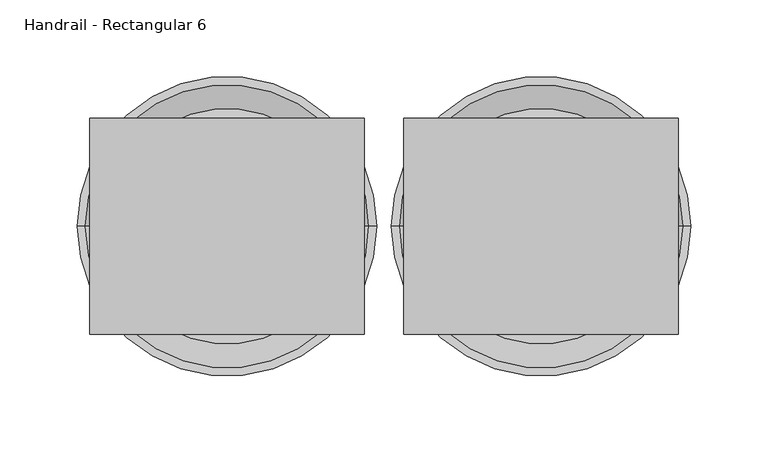
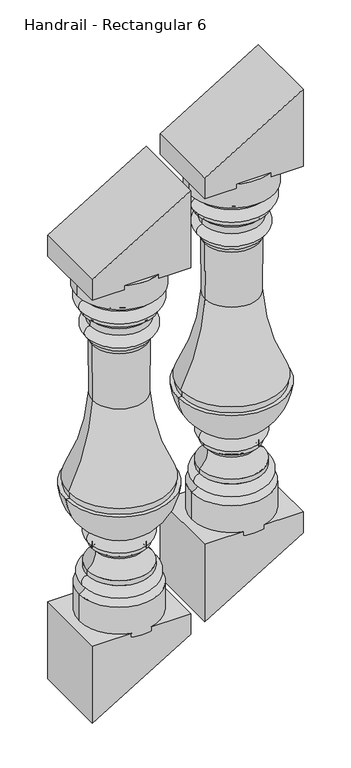
"""IFC4 building model written with IfcOpenShell, lengths in millimetres: railing geometry, Handrail - Rectangular 6."""

from ifc_helpers import new_model, si_unit, point, frame, origin, place, context, project, spatial, polyline, circle_curve, ellipse_curve, trimmed, outline, extrude, source, transform, mapped, element, save
from ifc_brep_helpers import plane_surface, cylinder_surface, revolved_surface, advanced_brep


def handrail_rectangular_6_2395284c(model_context):
    return source(origin(), model_context, "Body", "SolidModel", [
        advanced_brep(
        [(16245.7027138, 4021.0919589, 1350.4795479), (16398.1027138, 4021.0919589, 1350.4795479), (16321.9027138, 4021.0919589, 1350.4795479), (16245.7027138, 4021.0919589, 1304.7584836), (16398.1027138, 4021.0919589, 1304.7584836), (16257.8317502, 4021.0919589, 1293.5422388), (16385.9736774, 4021.0919589, 1293.5422388), (16258.0769912, 4021.0919589, 1270.5042832), (16385.7284364, 4021.0919589, 1270.5042832), (16258.0769912, 4021.0919589, 1262.416486), (16385.7284364, 4021.0919589, 1262.416486), (16266.9055103, 4021.0919589, 1253.8385248), (16376.8999173, 4021.0919589, 1253.8385248), (16269.2417878, 4021.0919589, 1239.5335999), (16374.5636397, 4021.0919589, 1239.5335999), (16269.2417878, 4021.0919589, 1217.4759854), (16374.5636397, 4021.0919589, 1217.4759854), (16269.2417878, 4021.0919589, 1209.1920479), (16374.5636397, 4021.0919589, 1209.1920479), (16273.114095, 4021.0919589, 1201.4718867), (16370.6913325, 4021.0919589, 1201.4718867), (16273.9235709, 4021.0919589, 1095.293104), (16369.8818566, 4021.0919589, 1095.293104), (16230.3642735, 4021.0919589, 935.3482979), (16413.441154, 4021.0919589, 935.3482979), (16232.466154, 4021.0919589, 935.3482979), (16411.3392735, 4021.0919589, 935.3482979), (16232.466154, 4021.0919589, 922.6482979), (16411.3392735, 4021.0919589, 922.6482979), (16225.0652138, 4021.0919589, 922.6482979), (16418.7402138, 4021.0919589, 922.6482979), (16270.9912706, 4021.0919589, 845.2818934), (16372.8141569, 4021.0919589, 845.2818934), (16271.1326309, 4021.0919589, 821.9183164), (16372.6727966, 4021.0919589, 821.9183164), (16271.1326309, 4021.0919589, 814.4386839), (16372.6727966, 4021.0919589, 814.4386839), (16279.084671, 4021.0919589, 805.556619), (16364.7207565, 4021.0919589, 805.556619), (16264.1161377, 4021.0919589, 773.768176), (16379.6892899, 4021.0919589, 773.768176), (16264.1161377, 4021.0919589, 764.4186401), (16379.6892899, 4021.0919589, 764.4186401), (16261.7772921, 4021.0919589, 742.9146942), (16382.0281354, 4021.0919589, 742.9146942), (16249.6924308, 4021.0919589, 733.1212384), (16394.1129967, 4021.0919589, 733.1212384), (16249.6924308, 4021.0919589, 674.2045479), (16394.1129967, 4021.0919589, 674.2045479), (16321.9027138, 4021.0919589, 674.2045479)],
        [
            (0, 1, circle_curve(frame((16321.9027138, 4021.0919589, 1350.4795479), z_axis=(0.0, 0.0, 1.0), x_axis=(1.0, 0.0, 0.0)), 76.2)),
            (1, 2),
            (2, 0),
            (1, 0, circle_curve(frame((16321.9027138, 4021.0919589, 1350.4795479), z_axis=(0.0, 0.0, 1.0), x_axis=(1.0, 0.0, 0.0)), 76.2)),
            (3, 4, circle_curve(frame((16321.9027138, 4021.0919589, 1304.7584836), z_axis=(0.0, 0.0, 1.0), x_axis=(1.0, 0.0, 0.0)), 76.2)),
            (4, 1),
            (0, 3),
            (4, 3, circle_curve(frame((16321.9027138, 4021.0919589, 1304.7584836), z_axis=(0.0, 0.0, 1.0), x_axis=(1.0, 0.0, 0.0)), 76.2)),
            (5, 6, circle_curve(frame((16321.9027138, 4021.0919589, 1293.5422388), z_axis=(0.0, 0.0, 1.0), x_axis=(1.0, 0.0, 0.0)), 64.0709636)),
            (6, 4, circle_curve(frame((16398.1162278, 4021.0919589, 1292.5776913), z_axis=(0.0, 1.0, 0.0), x_axis=(-1.0, 0.0, 0.0)), 12.1807998)),
            (3, 5, circle_curve(frame((16245.6891997, 4021.0919589, 1292.5776913), z_axis=(0.0, 1.0, 0.0), x_axis=(1.0, 0.0, 0.0)), 12.1807998)),
            (6, 5, circle_curve(frame((16321.9027138, 4021.0919589, 1293.5422388), z_axis=(0.0, 0.0, 1.0), x_axis=(1.0, 0.0, 0.0)), 64.0709636)),
            (7, 8, circle_curve(frame((16321.9027138, 4021.0919589, 1270.5042832), z_axis=(0.0, 0.0, 1.0), x_axis=(1.0, 0.0, 0.0)), 63.8257226)),
            (8, 6, circle_curve(frame((16383.562344, 4021.0919589, 1282.0476245), z_axis=(0.0, -1.0, 0.0), x_axis=(-1.0, 0.0, 0.0)), 11.7448152)),
            (5, 7, circle_curve(frame((16260.2430835, 4021.0919589, 1282.0476245), z_axis=(0.0, -1.0, 0.0), x_axis=(1.0, 0.0, 0.0)), 11.7448152)),
            (8, 7, circle_curve(frame((16321.9027138, 4021.0919589, 1270.5042832), z_axis=(0.0, 0.0, 1.0), x_axis=(1.0, 0.0, 0.0)), 63.8257226)),
            (9, 10, circle_curve(frame((16321.9027138, 4021.0919589, 1262.416486), z_axis=(0.0, 0.0, 1.0), x_axis=(1.0, 0.0, 0.0)), 63.8257226)),
            (10, 8),
            (7, 9),
            (10, 9, circle_curve(frame((16321.9027138, 4021.0919589, 1262.416486), z_axis=(0.0, 0.0, 1.0), x_axis=(1.0, 0.0, 0.0)), 63.8257226)),
            (11, 12, circle_curve(frame((16321.9027138, 4021.0919589, 1253.8385248), z_axis=(0.0, 0.0, 1.0), x_axis=(1.0, 0.0, 0.0)), 54.9972035)),
            (12, 10, circle_curve(frame((16390.1304457, 4021.0919589, 1249.0537178), z_axis=(0.0, 1.0, 0.0), x_axis=(-1.0, 0.0, 0.0)), 14.06916)),
            (9, 11, circle_curve(frame((16253.6749818, 4021.0919589, 1249.0537178), z_axis=(0.0, 1.0, 0.0), x_axis=(1.0, 0.0, 0.0)), 14.06916)),
            (12, 11, circle_curve(frame((16321.9027138, 4021.0919589, 1253.8385248), z_axis=(0.0, 0.0, 1.0), x_axis=(1.0, 0.0, 0.0)), 54.9972035)),
            (13, 14, circle_curve(frame((16321.9027138, 4021.0919589, 1239.5335999), z_axis=(0.0, 0.0, 1.0), x_axis=(1.0, 0.0, 0.0)), 52.660926)),
            (14, 12, circle_curve(frame((16403.5227722, 4021.0919589, 1242.1472427), z_axis=(0.0, 1.0, 0.0), x_axis=(-1.0, 0.0, 0.0)), 29.0768376)),
            (11, 13, circle_curve(frame((16240.2826553, 4021.0919589, 1242.1472427), z_axis=(0.0, 1.0, 0.0), x_axis=(1.0, 0.0, 0.0)), 29.0768376)),
            (14, 13, circle_curve(frame((16321.9027138, 4021.0919589, 1239.5335999), z_axis=(0.0, 0.0, 1.0), x_axis=(1.0, 0.0, 0.0)), 52.660926)),
            (15, 16, circle_curve(frame((16321.9027138, 4021.0919589, 1217.4759854), z_axis=(0.0, 0.0, 1.0), x_axis=(1.0, 0.0, 0.0)), 52.660926)),
            (16, 14, circle_curve(frame((16374.1094065, 4021.0919589, 1228.5047926), z_axis=(0.0, -1.0, 0.0), x_axis=(-1.0, 0.0, 0.0)), 11.0381573)),
            (13, 15, circle_curve(frame((16269.696021, 4021.0919589, 1228.5047926), z_axis=(0.0, -1.0, 0.0), x_axis=(1.0, 0.0, 0.0)), 11.0381573)),
            (16, 15, circle_curve(frame((16321.9027138, 4021.0919589, 1217.4759854), z_axis=(0.0, 0.0, 1.0), x_axis=(1.0, 0.0, 0.0)), 52.660926)),
            (17, 18, circle_curve(frame((16321.9027138, 4021.0919589, 1209.1920479), z_axis=(0.0, 0.0, 1.0), x_axis=(1.0, 0.0, 0.0)), 52.660926)),
            (18, 16),
            (15, 17),
            (18, 17, circle_curve(frame((16321.9027138, 4021.0919589, 1209.1920479), z_axis=(0.0, 0.0, 1.0), x_axis=(1.0, 0.0, 0.0)), 52.660926)),
            (19, 20, circle_curve(frame((16321.9027138, 4021.0919589, 1201.4718867), z_axis=(0.0, 0.0, 1.0), x_axis=(1.0, 0.0, 0.0)), 48.7886187)),
            (20, 18, circle_curve(frame((16381.9302832, 4021.0919589, 1200.6658356), z_axis=(0.0, 1.0, 0.0), x_axis=(-1.0, 0.0, 0.0)), 11.2678184)),
            (17, 19, circle_curve(frame((16261.8751443, 4021.0919589, 1200.6658356), z_axis=(0.0, 1.0, 0.0), x_axis=(1.0, 0.0, 0.0)), 11.2678184)),
            (20, 19, circle_curve(frame((16321.9027138, 4021.0919589, 1201.4718867), z_axis=(0.0, 0.0, 1.0), x_axis=(1.0, 0.0, 0.0)), 48.7886187)),
            (21, 22, circle_curve(frame((16321.9027138, 4021.0919589, 1095.293104), z_axis=(0.0, 0.0, 1.0), x_axis=(1.0, 0.0, 0.0)), 47.9791428)),
            (22, 20, circle_curve(frame((17199.0224017, 4021.0919589, 1142.0644566), z_axis=(0.0, 1.0, 0.0), x_axis=(-1.0, 0.0, 0.0)), 830.4586702)),
            (19, 21, circle_curve(frame((15444.7830258, 4021.0919589, 1142.0644566), z_axis=(0.0, 1.0, 0.0), x_axis=(1.0, 0.0, 0.0)), 830.4586702)),
            (22, 21, circle_curve(frame((16321.9027138, 4021.0919589, 1095.293104), z_axis=(0.0, 0.0, 1.0), x_axis=(1.0, 0.0, 0.0)), 47.9791428)),
            (23, 24, circle_curve(frame((16321.9027138, 4021.0919589, 935.3482979), z_axis=(0.0, 0.0, 1.0), x_axis=(1.0, 0.0, 0.0)), 91.5384403)),
            (24, 22, circle_curve(frame((16767.7136369, 4021.0919589, 1117.7345713), z_axis=(0.0, 1.0, 0.0), x_axis=(-1.0, 0.0, 0.0)), 398.4642329)),
            (21, 23, circle_curve(frame((15876.0917906, 4021.0919589, 1117.7345713), z_axis=(0.0, 1.0, 0.0), x_axis=(1.0, 0.0, 0.0)), 398.4642329)),
            (24, 23, circle_curve(frame((16321.9027138, 4021.0919589, 935.3482979), z_axis=(0.0, 0.0, 1.0), x_axis=(1.0, 0.0, 0.0)), 91.5384403)),
            (25, 26, circle_curve(frame((16321.9027138, 4021.0919589, 935.3482979), z_axis=(0.0, 0.0, 1.0), x_axis=(1.0, 0.0, 0.0)), 89.4365597)),
            (26, 24),
            (23, 25),
            (26, 25, circle_curve(frame((16321.9027138, 4021.0919589, 935.3482979), z_axis=(0.0, 0.0, 1.0), x_axis=(1.0, 0.0, 0.0)), 89.4365597)),
            (27, 28, circle_curve(frame((16321.9027138, 4021.0919589, 922.6482979), z_axis=(0.0, 0.0, 1.0), x_axis=(1.0, 0.0, 0.0)), 89.4365597)),
            (28, 26),
            (25, 27),
            (28, 27, circle_curve(frame((16321.9027138, 4021.0919589, 922.6482979), z_axis=(0.0, 0.0, 1.0), x_axis=(1.0, 0.0, 0.0)), 89.4365597)),
            (29, 30, circle_curve(frame((16321.9027138, 4021.0919589, 922.6482979), z_axis=(0.0, 0.0, 1.0), x_axis=(1.0, 0.0, 0.0)), 96.8375)),
            (30, 28),
            (27, 29),
            (30, 29, circle_curve(frame((16321.9027138, 4021.0919589, 922.6482979), z_axis=(0.0, 0.0, 1.0), x_axis=(1.0, 0.0, 0.0)), 96.8375)),
            (31, 32, circle_curve(frame((16321.9027138, 4021.0919589, 845.2818934), z_axis=(0.0, 0.0, 1.0), x_axis=(1.0, 0.0, 0.0)), 50.9114432)),
            (32, 30, circle_curve(frame((16314.2610284, 4021.0919589, 932.3545185), z_axis=(0.0, -1.0, 0.0), x_axis=(-1.0, 0.0, 0.0)), 104.9290756)),
            (29, 31, circle_curve(frame((16329.5443992, 4021.0919589, 932.3545185), z_axis=(0.0, -1.0, 0.0), x_axis=(1.0, 0.0, 0.0)), 104.9290756)),
            (32, 31, circle_curve(frame((16321.9027138, 4021.0919589, 845.2818934), z_axis=(0.0, 0.0, 1.0), x_axis=(1.0, 0.0, 0.0)), 50.9114432)),
            (33, 34, circle_curve(frame((16321.9027138, 4021.0919589, 821.9183164), z_axis=(0.0, 0.0, 1.0), x_axis=(1.0, 0.0, 0.0)), 50.7700828)),
            (34, 32, circle_curve(frame((16367.4408029, 4021.0919589, 833.6321885), z_axis=(0.0, -1.0, 0.0), x_axis=(-1.0, 0.0, 0.0)), 12.8292072)),
            (31, 33, circle_curve(frame((16276.3646246, 4021.0919589, 833.6321885), z_axis=(0.0, -1.0, 0.0), x_axis=(1.0, 0.0, 0.0)), 12.8292072)),
            (34, 33, circle_curve(frame((16321.9027138, 4021.0919589, 821.9183164), z_axis=(0.0, 0.0, 1.0), x_axis=(1.0, 0.0, 0.0)), 50.7700828)),
            (35, 36, circle_curve(frame((16321.9027138, 4021.0919589, 814.4386839), z_axis=(0.0, 0.0, 1.0), x_axis=(1.0, 0.0, 0.0)), 50.7700828)),
            (36, 34),
            (33, 35),
            (36, 35, circle_curve(frame((16321.9027138, 4021.0919589, 814.4386839), z_axis=(0.0, 0.0, 1.0), x_axis=(1.0, 0.0, 0.0)), 50.7700828)),
            (37, 38, circle_curve(frame((16321.9027138, 4021.0919589, 805.556619), z_axis=(0.0, 0.0, 1.0), x_axis=(1.0, 0.0, 0.0)), 42.8180427)),
            (38, 36, circle_curve(frame((16374.6181347, 4021.0919589, 804.6963079), z_axis=(0.0, 1.0, 0.0), x_axis=(-1.0, 0.0, 0.0)), 9.9346983)),
            (35, 37, circle_curve(frame((16269.1872929, 4021.0919589, 804.6963079), z_axis=(0.0, 1.0, 0.0), x_axis=(1.0, 0.0, 0.0)), 9.9346983)),
            (38, 37, circle_curve(frame((16321.9027138, 4021.0919589, 805.556619), z_axis=(0.0, 0.0, 1.0), x_axis=(1.0, 0.0, 0.0)), 42.8180427)),
            (39, 40, circle_curve(frame((16321.9027138, 4021.0919589, 773.768176), z_axis=(0.0, 0.0, 1.0), x_axis=(1.0, 0.0, 0.0)), 57.7865761)),
            (40, 38, circle_curve(frame((16399.5330751, 4021.0919589, 802.5306231), z_axis=(0.0, 1.0, 0.0), x_axis=(-1.0, 0.0, 0.0)), 34.9435857)),
            (37, 39, circle_curve(frame((16244.2723524, 4021.0919589, 802.5306231), z_axis=(0.0, 1.0, 0.0), x_axis=(1.0, 0.0, 0.0)), 34.9435857)),
            (40, 39, circle_curve(frame((16321.9027138, 4021.0919589, 773.768176), z_axis=(0.0, 0.0, 1.0), x_axis=(1.0, 0.0, 0.0)), 57.7865761)),
            (41, 42, circle_curve(frame((16321.9027138, 4021.0919589, 764.4186401), z_axis=(0.0, 0.0, 1.0), x_axis=(1.0, 0.0, 0.0)), 57.7865761)),
            (42, 40),
            (39, 41),
            (42, 41, circle_curve(frame((16321.9027138, 4021.0919589, 764.4186401), z_axis=(0.0, 0.0, 1.0), x_axis=(1.0, 0.0, 0.0)), 57.7865761)),
            (43, 44, circle_curve(frame((16321.9027138, 4021.0919589, 742.9146942), z_axis=(0.0, 0.0, 1.0), x_axis=(1.0, 0.0, 0.0)), 60.1254216)),
            (44, 42, circle_curve(frame((16379.075307, 4021.0919589, 753.4726976), z_axis=(0.0, -1.0, 0.0), x_axis=(-1.0, 0.0, 0.0)), 10.9631488)),
            (41, 43, circle_curve(frame((16264.7301206, 4021.0919589, 753.4726976), z_axis=(0.0, -1.0, 0.0), x_axis=(1.0, 0.0, 0.0)), 10.9631488)),
            (44, 43, circle_curve(frame((16321.9027138, 4021.0919589, 742.9146942), z_axis=(0.0, 0.0, 1.0), x_axis=(1.0, 0.0, 0.0)), 60.1254216)),
            (45, 46, circle_curve(frame((16321.9027138, 4021.0919589, 733.1212384), z_axis=(0.0, 0.0, 1.0), x_axis=(1.0, 0.0, 0.0)), 72.210283)),
            (46, 44, circle_curve(frame((16400.2438996, 4021.0919589, 753.0395329), z_axis=(0.0, 1.0, 0.0), x_axis=(-1.0, 0.0, 0.0)), 20.8404996)),
            (43, 45, circle_curve(frame((16243.5615279, 4021.0919589, 753.0395329), z_axis=(0.0, 1.0, 0.0), x_axis=(1.0, 0.0, 0.0)), 20.8404996)),
            (46, 45, circle_curve(frame((16321.9027138, 4021.0919589, 733.1212384), z_axis=(0.0, 0.0, 1.0), x_axis=(1.0, 0.0, 0.0)), 72.210283)),
            (47, 48, circle_curve(frame((16321.9027138, 4021.0919589, 674.2045479), z_axis=(0.0, 0.0, 1.0), x_axis=(1.0, 0.0, 0.0)), 72.210283)),
            (48, 46),
            (45, 47),
            (48, 47, circle_curve(frame((16321.9027138, 4021.0919589, 674.2045479), z_axis=(0.0, 0.0, 1.0), x_axis=(1.0, 0.0, 0.0)), 72.210283)),
            (49, 48),
            (47, 49),
        ],
        [
            plane_surface(frame((16321.9027138, 4021.0919589, 1350.4795479), z_axis=(0.0, 0.0, 1.0), x_axis=(1.0, 0.0, 0.0))),
            cylinder_surface(frame((16321.9027138, 4021.0919589, 1302.8545479), z_axis=(0.0, 0.0, -1.0), x_axis=(1.0, 0.0, 0.0)), 76.2),
            revolved_surface(trimmed(ellipse_curve(frame((16398.1162278, 4021.0919589, 1292.5776913), z_axis=(0.0, -1.0, 0.0), x_axis=(-1.0, 0.0, 0.0)), 12.1807998, 12.1807998), [point((16398.1027138, 4021.0919589, 1304.7584836))], [point((16385.9736774, 4021.0919589, 1293.5422388))], True, "CARTESIAN"), (16321.9027138, 4021.0919589, 1302.8545479), (0.0, 0.0, -1.0)),
            revolved_surface(trimmed(ellipse_curve(frame((16383.562344, 4021.0919589, 1282.0476245), z_axis=(0.0, 1.0, 0.0), x_axis=(-1.0, 0.0, 0.0)), 11.7448152, 11.7448152), [point((16385.9736774, 4021.0919589, 1293.5422388))], [point((16385.7284364, 4021.0919589, 1270.5042832))], True, "CARTESIAN"), (16321.9027138, 4021.0919589, 1302.8545479), (0.0, 0.0, -1.0)),
            cylinder_surface(frame((16321.9027138, 4021.0919589, 1302.8545479), z_axis=(0.0, 0.0, -1.0), x_axis=(1.0, 0.0, 0.0)), 63.8257226),
            revolved_surface(trimmed(ellipse_curve(frame((16390.1304457, 4021.0919589, 1249.0537178), z_axis=(0.0, -1.0, 0.0), x_axis=(-1.0, 0.0, 0.0)), 14.06916, 14.06916), [point((16385.7284364, 4021.0919589, 1262.416486))], [point((16376.8999173, 4021.0919589, 1253.8385248))], True, "CARTESIAN"), (16321.9027138, 4021.0919589, 1302.8545479), (0.0, 0.0, -1.0)),
            revolved_surface(trimmed(ellipse_curve(frame((16403.5227722, 4021.0919589, 1242.1472427), z_axis=(0.0, -1.0, 0.0), x_axis=(-1.0, 0.0, 0.0)), 29.0768376, 29.0768376), [point((16376.8999173, 4021.0919589, 1253.8385248))], [point((16374.5636397, 4021.0919589, 1239.5335999))], True, "CARTESIAN"), (16321.9027138, 4021.0919589, 1302.8545479), (0.0, 0.0, -1.0)),
            revolved_surface(trimmed(ellipse_curve(frame((16374.1094065, 4021.0919589, 1228.5047926), z_axis=(0.0, 1.0, 0.0), x_axis=(-1.0, 0.0, 0.0)), 11.0381573, 11.0381573), [point((16374.5636397, 4021.0919589, 1239.5335999))], [point((16374.5636397, 4021.0919589, 1217.4759854))], True, "CARTESIAN"), (16321.9027138, 4021.0919589, 1302.8545479), (0.0, 0.0, -1.0)),
            cylinder_surface(frame((16321.9027138, 4021.0919589, 1302.8545479), z_axis=(0.0, 0.0, -1.0), x_axis=(1.0, 0.0, 0.0)), 52.660926),
            revolved_surface(trimmed(ellipse_curve(frame((16381.9302832, 4021.0919589, 1200.6658356), z_axis=(0.0, -1.0, 0.0), x_axis=(-1.0, 0.0, 0.0)), 11.2678184, 11.2678184), [point((16374.5636397, 4021.0919589, 1209.1920479))], [point((16370.6913325, 4021.0919589, 1201.4718867))], True, "CARTESIAN"), (16321.9027138, 4021.0919589, 1302.8545479), (0.0, 0.0, -1.0)),
            revolved_surface(trimmed(ellipse_curve(frame((17199.0224017, 4021.0919589, 1142.0644566), z_axis=(0.0, -1.0, 0.0), x_axis=(-1.0, 0.0, 0.0)), 830.4586702, 830.4586702), [point((16370.6913325, 4021.0919589, 1201.4718867))], [point((16369.8818566, 4021.0919589, 1095.293104))], True, "CARTESIAN"), (16321.9027138, 4021.0919589, 1302.8545479), (0.0, 0.0, -1.0)),
            revolved_surface(trimmed(ellipse_curve(frame((16767.7136369, 4021.0919589, 1117.7345713), z_axis=(0.0, -1.0, 0.0), x_axis=(-1.0, 0.0, 0.0)), 398.4642329, 398.4642329), [point((16369.8818566, 4021.0919589, 1095.293104))], [point((16413.441154, 4021.0919589, 935.3482979))], True, "CARTESIAN"), (16321.9027138, 4021.0919589, 1302.8545479), (0.0, 0.0, -1.0)),
            plane_surface(frame((16321.9027138, 4021.0919589, 935.3482979), z_axis=(0.0, 0.0, -1.0), x_axis=(1.0, 0.0, 0.0))),
            cylinder_surface(frame((16321.9027138, 4021.0919589, 1302.8545479), z_axis=(0.0, 0.0, -1.0), x_axis=(1.0, 0.0, 0.0)), 89.4365597),
            plane_surface(frame((16321.9027138, 4021.0919589, 922.6482979), z_axis=(0.0, 0.0, 1.0), x_axis=(1.0, 0.0, 0.0))),
            revolved_surface(trimmed(ellipse_curve(frame((16314.2610284, 4021.0919589, 932.3545185), z_axis=(0.0, 1.0, 0.0), x_axis=(-1.0, 0.0, 0.0)), 104.9290756, 104.9290756), [point((16418.7402138, 4021.0919589, 922.6482979))], [point((16372.8141569, 4021.0919589, 845.2818934))], True, "CARTESIAN"), (16321.9027138, 4021.0919589, 1302.8545479), (0.0, 0.0, -1.0)),
            revolved_surface(trimmed(ellipse_curve(frame((16367.4408029, 4021.0919589, 833.6321885), z_axis=(0.0, 1.0, 0.0), x_axis=(-1.0, 0.0, 0.0)), 12.8292072, 12.8292072), [point((16372.8141569, 4021.0919589, 845.2818934))], [point((16372.6727966, 4021.0919589, 821.9183164))], True, "CARTESIAN"), (16321.9027138, 4021.0919589, 1302.8545479), (0.0, 0.0, -1.0)),
            cylinder_surface(frame((16321.9027138, 4021.0919589, 1302.8545479), z_axis=(0.0, 0.0, -1.0), x_axis=(1.0, 0.0, 0.0)), 50.7700828),
            revolved_surface(trimmed(ellipse_curve(frame((16374.6181347, 4021.0919589, 804.6963079), z_axis=(0.0, -1.0, 0.0), x_axis=(-1.0, 0.0, 0.0)), 9.9346983, 9.9346983), [point((16372.6727966, 4021.0919589, 814.4386839))], [point((16364.7207565, 4021.0919589, 805.556619))], True, "CARTESIAN"), (16321.9027138, 4021.0919589, 1302.8545479), (0.0, 0.0, -1.0)),
            revolved_surface(trimmed(ellipse_curve(frame((16399.5330751, 4021.0919589, 802.5306231), z_axis=(0.0, -1.0, 0.0), x_axis=(-1.0, 0.0, 0.0)), 34.9435857, 34.9435857), [point((16364.7207565, 4021.0919589, 805.556619))], [point((16379.6892899, 4021.0919589, 773.768176))], True, "CARTESIAN"), (16321.9027138, 4021.0919589, 1302.8545479), (0.0, 0.0, -1.0)),
            cylinder_surface(frame((16321.9027138, 4021.0919589, 1302.8545479), z_axis=(0.0, 0.0, -1.0), x_axis=(1.0, 0.0, 0.0)), 57.7865761),
            revolved_surface(trimmed(ellipse_curve(frame((16379.075307, 4021.0919589, 753.4726976), z_axis=(0.0, 1.0, 0.0), x_axis=(-1.0, 0.0, 0.0)), 10.9631488, 10.9631488), [point((16379.6892899, 4021.0919589, 764.4186401))], [point((16382.0281354, 4021.0919589, 742.9146942))], True, "CARTESIAN"), (16321.9027138, 4021.0919589, 1302.8545479), (0.0, 0.0, -1.0)),
            revolved_surface(trimmed(ellipse_curve(frame((16400.2438996, 4021.0919589, 753.0395329), z_axis=(0.0, -1.0, 0.0), x_axis=(-1.0, 0.0, 0.0)), 20.8404996, 20.8404996), [point((16382.0281354, 4021.0919589, 742.9146942))], [point((16394.1129967, 4021.0919589, 733.1212384))], True, "CARTESIAN"), (16321.9027138, 4021.0919589, 1302.8545479), (0.0, 0.0, -1.0)),
            cylinder_surface(frame((16321.9027138, 4021.0919589, 1302.8545479), z_axis=(0.0, 0.0, -1.0), x_axis=(1.0, 0.0, 0.0)), 72.210283),
            plane_surface(frame((16321.9027138, 4021.0919589, 674.2045479), z_axis=(0.0, 0.0, -1.0), x_axis=(1.0, 0.0, 0.0))),
        ],
        [
            (0, [[1, 2, 3]]),
            (0, [[4, -3, -2]]),
            (1, [[5, 6, -1, 7]]),
            (1, [[8, -7, -4, -6]]),
            (2, [[9, 10, -5, 11]]),
            (2, [[12, -11, -8, -10]]),
            (3, [[13, 14, -9, 15]]),
            (3, [[16, -15, -12, -14]]),
            (4, [[17, 18, -13, 19]]),
            (4, [[20, -19, -16, -18]]),
            (5, [[21, 22, -17, 23]]),
            (5, [[24, -23, -20, -22]]),
            (6, [[25, 26, -21, 27]]),
            (6, [[28, -27, -24, -26]]),
            (7, [[29, 30, -25, 31]]),
            (7, [[32, -31, -28, -30]]),
            (8, [[33, 34, -29, 35]]),
            (8, [[36, -35, -32, -34]]),
            (9, [[37, 38, -33, 39]]),
            (9, [[40, -39, -36, -38]]),
            (10, [[41, 42, -37, 43]]),
            (10, [[44, -43, -40, -42]]),
            (11, [[45, 46, -41, 47]]),
            (11, [[48, -47, -44, -46]]),
            (12, [[49, 50, -45, 51]]),
            (12, [[52, -51, -48, -50]]),
            (13, [[53, 54, -49, 55]]),
            (13, [[56, -55, -52, -54]]),
            (14, [[57, 58, -53, 59]]),
            (14, [[60, -59, -56, -58]]),
            (15, [[61, 62, -57, 63]]),
            (15, [[64, -63, -60, -62]]),
            (16, [[65, 66, -61, 67]]),
            (16, [[68, -67, -64, -66]]),
            (17, [[69, 70, -65, 71]]),
            (17, [[72, -71, -68, -70]]),
            (18, [[73, 74, -69, 75]]),
            (18, [[76, -75, -72, -74]]),
            (19, [[77, 78, -73, 79]]),
            (19, [[80, -79, -76, -78]]),
            (20, [[81, 82, -77, 83]]),
            (20, [[84, -83, -80, -82]]),
            (21, [[85, 86, -81, 87]]),
            (21, [[88, -87, -84, -86]]),
            (22, [[89, 90, -85, 91]]),
            (22, [[92, -91, -88, -90]]),
            (23, [[93, 94, -89, 95]]),
            (23, [[96, -95, -92, -94]]),
            (24, [[97, -93, 98]]),
            (24, [[-98, -96, -97]]),
        ],
    ),
        extrude(outline(polyline([(681.9996212, 16410.8027138), (681.9996212, 16233.0027138), (534.4583333, 16233.0027138), (642.2159091, 16410.8027138), (681.9996212, 16410.8027138)])), frame((0.0, 3951.2419589, 0.0), z_axis=(0.0, 1.0, 0.0), x_axis=(0.0, 0.0, 1.0)), (0.0, 0.0, 1.0), 139.7),
        extrude(outline(polyline([(1342.6844745, 16233.0027138), (1342.6844745, 16410.8027138), (1490.2257624, 16410.8027138), (1382.4681866, 16233.0027138), (1342.6844745, 16233.0027138)])), frame((0.0, 3951.2419589, 0.0), z_axis=(0.0, 1.0, 0.0), x_axis=(0.0, 0.0, 1.0)), (0.0, 0.0, 1.0), 139.7),
        advanced_brep(
        [(16042.5027138, 4021.0919589, 1227.3280327), (16194.9027138, 4021.0919589, 1227.3280327), (16118.7027138, 4021.0919589, 1227.3280327), (16042.5027138, 4021.0919589, 1181.6069685), (16194.9027138, 4021.0919589, 1181.6069685), (16054.6317502, 4021.0919589, 1170.3907236), (16182.7736774, 4021.0919589, 1170.3907236), (16054.8769912, 4021.0919589, 1147.3527681), (16182.5284364, 4021.0919589, 1147.3527681), (16054.8769912, 4021.0919589, 1139.2649709), (16182.5284364, 4021.0919589, 1139.2649709), (16063.7055103, 4021.0919589, 1130.6870097), (16173.6999173, 4021.0919589, 1130.6870097), (16066.0417878, 4021.0919589, 1116.3820847), (16171.3636397, 4021.0919589, 1116.3820847), (16066.0417878, 4021.0919589, 1094.3244702), (16171.3636397, 4021.0919589, 1094.3244702), (16066.0417878, 4021.0919589, 1086.0405327), (16171.3636397, 4021.0919589, 1086.0405327), (16069.914095, 4021.0919589, 1078.3203716), (16167.4913325, 4021.0919589, 1078.3203716), (16070.7235709, 4021.0919589, 972.1415889), (16166.6818566, 4021.0919589, 972.1415889), (16027.1642735, 4021.0919589, 812.1967827), (16210.241154, 4021.0919589, 812.1967827), (16029.266154, 4021.0919589, 812.1967827), (16208.1392735, 4021.0919589, 812.1967827), (16029.266154, 4021.0919589, 799.4967827), (16208.1392735, 4021.0919589, 799.4967827), (16021.8652138, 4021.0919589, 799.4967827), (16215.5402138, 4021.0919589, 799.4967827), (16067.7912706, 4021.0919589, 722.1303782), (16169.6141569, 4021.0919589, 722.1303782), (16067.9326309, 4021.0919589, 698.7668013), (16169.4727966, 4021.0919589, 698.7668013), (16067.9326309, 4021.0919589, 691.2871687), (16169.4727966, 4021.0919589, 691.2871687), (16075.884671, 4021.0919589, 682.4051039), (16161.5207565, 4021.0919589, 682.4051039), (16060.9161377, 4021.0919589, 650.6166608), (16176.4892899, 4021.0919589, 650.6166608), (16060.9161377, 4021.0919589, 641.267125), (16176.4892899, 4021.0919589, 641.267125), (16058.5772921, 4021.0919589, 619.763179), (16178.8281354, 4021.0919589, 619.763179), (16046.4924308, 4021.0919589, 609.9697233), (16190.9129967, 4021.0919589, 609.9697233), (16046.4924308, 4021.0919589, 551.0530327), (16190.9129967, 4021.0919589, 551.0530327), (16118.7027138, 4021.0919589, 551.0530327)],
        [
            (0, 1, circle_curve(frame((16118.7027138, 4021.0919589, 1227.3280327), z_axis=(0.0, 0.0, 1.0), x_axis=(1.0, 0.0, 0.0)), 76.2)),
            (1, 2),
            (2, 0),
            (1, 0, circle_curve(frame((16118.7027138, 4021.0919589, 1227.3280327), z_axis=(0.0, 0.0, 1.0), x_axis=(1.0, 0.0, 0.0)), 76.2)),
            (3, 4, circle_curve(frame((16118.7027138, 4021.0919589, 1181.6069685), z_axis=(0.0, 0.0, 1.0), x_axis=(1.0, 0.0, 0.0)), 76.2)),
            (4, 1),
            (0, 3),
            (4, 3, circle_curve(frame((16118.7027138, 4021.0919589, 1181.6069685), z_axis=(0.0, 0.0, 1.0), x_axis=(1.0, 0.0, 0.0)), 76.2)),
            (5, 6, circle_curve(frame((16118.7027138, 4021.0919589, 1170.3907236), z_axis=(0.0, 0.0, 1.0), x_axis=(1.0, 0.0, 0.0)), 64.0709636)),
            (6, 4, circle_curve(frame((16194.9162278, 4021.0919589, 1169.4261761), z_axis=(0.0, 1.0, 0.0), x_axis=(-1.0, 0.0, 0.0)), 12.1807998)),
            (3, 5, circle_curve(frame((16042.4891997, 4021.0919589, 1169.4261761), z_axis=(0.0, 1.0, 0.0), x_axis=(1.0, 0.0, 0.0)), 12.1807998)),
            (6, 5, circle_curve(frame((16118.7027138, 4021.0919589, 1170.3907236), z_axis=(0.0, 0.0, 1.0), x_axis=(1.0, 0.0, 0.0)), 64.0709636)),
            (7, 8, circle_curve(frame((16118.7027138, 4021.0919589, 1147.3527681), z_axis=(0.0, 0.0, 1.0), x_axis=(1.0, 0.0, 0.0)), 63.8257226)),
            (8, 6, circle_curve(frame((16180.362344, 4021.0919589, 1158.8961094), z_axis=(0.0, -1.0, 0.0), x_axis=(-1.0, 0.0, 0.0)), 11.7448152)),
            (5, 7, circle_curve(frame((16057.0430835, 4021.0919589, 1158.8961094), z_axis=(0.0, -1.0, 0.0), x_axis=(1.0, 0.0, 0.0)), 11.7448152)),
            (8, 7, circle_curve(frame((16118.7027138, 4021.0919589, 1147.3527681), z_axis=(0.0, 0.0, 1.0), x_axis=(1.0, 0.0, 0.0)), 63.8257226)),
            (9, 10, circle_curve(frame((16118.7027138, 4021.0919589, 1139.2649709), z_axis=(0.0, 0.0, 1.0), x_axis=(1.0, 0.0, 0.0)), 63.8257226)),
            (10, 8),
            (7, 9),
            (10, 9, circle_curve(frame((16118.7027138, 4021.0919589, 1139.2649709), z_axis=(0.0, 0.0, 1.0), x_axis=(1.0, 0.0, 0.0)), 63.8257226)),
            (11, 12, circle_curve(frame((16118.7027138, 4021.0919589, 1130.6870097), z_axis=(0.0, 0.0, 1.0), x_axis=(1.0, 0.0, 0.0)), 54.9972035)),
            (12, 10, circle_curve(frame((16186.9304457, 4021.0919589, 1125.9022026), z_axis=(0.0, 1.0, 0.0), x_axis=(-1.0, 0.0, 0.0)), 14.06916)),
            (9, 11, circle_curve(frame((16050.4749818, 4021.0919589, 1125.9022026), z_axis=(0.0, 1.0, 0.0), x_axis=(1.0, 0.0, 0.0)), 14.06916)),
            (12, 11, circle_curve(frame((16118.7027138, 4021.0919589, 1130.6870097), z_axis=(0.0, 0.0, 1.0), x_axis=(1.0, 0.0, 0.0)), 54.9972035)),
            (13, 14, circle_curve(frame((16118.7027138, 4021.0919589, 1116.3820847), z_axis=(0.0, 0.0, 1.0), x_axis=(1.0, 0.0, 0.0)), 52.660926)),
            (14, 12, circle_curve(frame((16200.3227722, 4021.0919589, 1118.9957275), z_axis=(0.0, 1.0, 0.0), x_axis=(-1.0, 0.0, 0.0)), 29.0768376)),
            (11, 13, circle_curve(frame((16037.0826553, 4021.0919589, 1118.9957275), z_axis=(0.0, 1.0, 0.0), x_axis=(1.0, 0.0, 0.0)), 29.0768376)),
            (14, 13, circle_curve(frame((16118.7027138, 4021.0919589, 1116.3820847), z_axis=(0.0, 0.0, 1.0), x_axis=(1.0, 0.0, 0.0)), 52.660926)),
            (15, 16, circle_curve(frame((16118.7027138, 4021.0919589, 1094.3244702), z_axis=(0.0, 0.0, 1.0), x_axis=(1.0, 0.0, 0.0)), 52.660926)),
            (16, 14, circle_curve(frame((16170.9094065, 4021.0919589, 1105.3532775), z_axis=(0.0, -1.0, 0.0), x_axis=(-1.0, 0.0, 0.0)), 11.0381573)),
            (13, 15, circle_curve(frame((16066.496021, 4021.0919589, 1105.3532775), z_axis=(0.0, -1.0, 0.0), x_axis=(1.0, 0.0, 0.0)), 11.0381573)),
            (16, 15, circle_curve(frame((16118.7027138, 4021.0919589, 1094.3244702), z_axis=(0.0, 0.0, 1.0), x_axis=(1.0, 0.0, 0.0)), 52.660926)),
            (17, 18, circle_curve(frame((16118.7027138, 4021.0919589, 1086.0405327), z_axis=(0.0, 0.0, 1.0), x_axis=(1.0, 0.0, 0.0)), 52.660926)),
            (18, 16),
            (15, 17),
            (18, 17, circle_curve(frame((16118.7027138, 4021.0919589, 1086.0405327), z_axis=(0.0, 0.0, 1.0), x_axis=(1.0, 0.0, 0.0)), 52.660926)),
            (19, 20, circle_curve(frame((16118.7027138, 4021.0919589, 1078.3203716), z_axis=(0.0, 0.0, 1.0), x_axis=(1.0, 0.0, 0.0)), 48.7886187)),
            (20, 18, circle_curve(frame((16178.7302832, 4021.0919589, 1077.5143204), z_axis=(0.0, 1.0, 0.0), x_axis=(-1.0, 0.0, 0.0)), 11.2678184)),
            (17, 19, circle_curve(frame((16058.6751443, 4021.0919589, 1077.5143204), z_axis=(0.0, 1.0, 0.0), x_axis=(1.0, 0.0, 0.0)), 11.2678184)),
            (20, 19, circle_curve(frame((16118.7027138, 4021.0919589, 1078.3203716), z_axis=(0.0, 0.0, 1.0), x_axis=(1.0, 0.0, 0.0)), 48.7886187)),
            (21, 22, circle_curve(frame((16118.7027138, 4021.0919589, 972.1415889), z_axis=(0.0, 0.0, 1.0), x_axis=(1.0, 0.0, 0.0)), 47.9791428)),
            (22, 20, circle_curve(frame((16995.8224017, 4021.0919589, 1018.9129414), z_axis=(0.0, 1.0, 0.0), x_axis=(-1.0, 0.0, 0.0)), 830.4586702)),
            (19, 21, circle_curve(frame((15241.5830258, 4021.0919589, 1018.9129414), z_axis=(0.0, 1.0, 0.0), x_axis=(1.0, 0.0, 0.0)), 830.4586702)),
            (22, 21, circle_curve(frame((16118.7027138, 4021.0919589, 972.1415889), z_axis=(0.0, 0.0, 1.0), x_axis=(1.0, 0.0, 0.0)), 47.9791428)),
            (23, 24, circle_curve(frame((16118.7027138, 4021.0919589, 812.1967827), z_axis=(0.0, 0.0, 1.0), x_axis=(1.0, 0.0, 0.0)), 91.5384403)),
            (24, 22, circle_curve(frame((16564.5136369, 4021.0919589, 994.5830562), z_axis=(0.0, 1.0, 0.0), x_axis=(-1.0, 0.0, 0.0)), 398.4642329)),
            (21, 23, circle_curve(frame((15672.8917906, 4021.0919589, 994.5830562), z_axis=(0.0, 1.0, 0.0), x_axis=(1.0, 0.0, 0.0)), 398.4642329)),
            (24, 23, circle_curve(frame((16118.7027138, 4021.0919589, 812.1967827), z_axis=(0.0, 0.0, 1.0), x_axis=(1.0, 0.0, 0.0)), 91.5384403)),
            (25, 26, circle_curve(frame((16118.7027138, 4021.0919589, 812.1967827), z_axis=(0.0, 0.0, 1.0), x_axis=(1.0, 0.0, 0.0)), 89.4365597)),
            (26, 24),
            (23, 25),
            (26, 25, circle_curve(frame((16118.7027138, 4021.0919589, 812.1967827), z_axis=(0.0, 0.0, 1.0), x_axis=(1.0, 0.0, 0.0)), 89.4365597)),
            (27, 28, circle_curve(frame((16118.7027138, 4021.0919589, 799.4967827), z_axis=(0.0, 0.0, 1.0), x_axis=(1.0, 0.0, 0.0)), 89.4365597)),
            (28, 26),
            (25, 27),
            (28, 27, circle_curve(frame((16118.7027138, 4021.0919589, 799.4967827), z_axis=(0.0, 0.0, 1.0), x_axis=(1.0, 0.0, 0.0)), 89.4365597)),
            (29, 30, circle_curve(frame((16118.7027138, 4021.0919589, 799.4967827), z_axis=(0.0, 0.0, 1.0), x_axis=(1.0, 0.0, 0.0)), 96.8375)),
            (30, 28),
            (27, 29),
            (30, 29, circle_curve(frame((16118.7027138, 4021.0919589, 799.4967827), z_axis=(0.0, 0.0, 1.0), x_axis=(1.0, 0.0, 0.0)), 96.8375)),
            (31, 32, circle_curve(frame((16118.7027138, 4021.0919589, 722.1303782), z_axis=(0.0, 0.0, 1.0), x_axis=(1.0, 0.0, 0.0)), 50.9114432)),
            (32, 30, circle_curve(frame((16111.0610284, 4021.0919589, 809.2030033), z_axis=(0.0, -1.0, 0.0), x_axis=(-1.0, 0.0, 0.0)), 104.9290756)),
            (29, 31, circle_curve(frame((16126.3443992, 4021.0919589, 809.2030033), z_axis=(0.0, -1.0, 0.0), x_axis=(1.0, 0.0, 0.0)), 104.9290756)),
            (32, 31, circle_curve(frame((16118.7027138, 4021.0919589, 722.1303782), z_axis=(0.0, 0.0, 1.0), x_axis=(1.0, 0.0, 0.0)), 50.9114432)),
            (33, 34, circle_curve(frame((16118.7027138, 4021.0919589, 698.7668013), z_axis=(0.0, 0.0, 1.0), x_axis=(1.0, 0.0, 0.0)), 50.7700828)),
            (34, 32, circle_curve(frame((16164.2408029, 4021.0919589, 710.4806733), z_axis=(0.0, -1.0, 0.0), x_axis=(-1.0, 0.0, 0.0)), 12.8292072)),
            (31, 33, circle_curve(frame((16073.1646246, 4021.0919589, 710.4806733), z_axis=(0.0, -1.0, 0.0), x_axis=(1.0, 0.0, 0.0)), 12.8292072)),
            (34, 33, circle_curve(frame((16118.7027138, 4021.0919589, 698.7668013), z_axis=(0.0, 0.0, 1.0), x_axis=(1.0, 0.0, 0.0)), 50.7700828)),
            (35, 36, circle_curve(frame((16118.7027138, 4021.0919589, 691.2871687), z_axis=(0.0, 0.0, 1.0), x_axis=(1.0, 0.0, 0.0)), 50.7700828)),
            (36, 34),
            (33, 35),
            (36, 35, circle_curve(frame((16118.7027138, 4021.0919589, 691.2871687), z_axis=(0.0, 0.0, 1.0), x_axis=(1.0, 0.0, 0.0)), 50.7700828)),
            (37, 38, circle_curve(frame((16118.7027138, 4021.0919589, 682.4051039), z_axis=(0.0, 0.0, 1.0), x_axis=(1.0, 0.0, 0.0)), 42.8180427)),
            (38, 36, circle_curve(frame((16171.4181347, 4021.0919589, 681.5447927), z_axis=(0.0, 1.0, 0.0), x_axis=(-1.0, 0.0, 0.0)), 9.9346983)),
            (35, 37, circle_curve(frame((16065.9872929, 4021.0919589, 681.5447927), z_axis=(0.0, 1.0, 0.0), x_axis=(1.0, 0.0, 0.0)), 9.9346983)),
            (38, 37, circle_curve(frame((16118.7027138, 4021.0919589, 682.4051039), z_axis=(0.0, 0.0, 1.0), x_axis=(1.0, 0.0, 0.0)), 42.8180427)),
            (39, 40, circle_curve(frame((16118.7027138, 4021.0919589, 650.6166608), z_axis=(0.0, 0.0, 1.0), x_axis=(1.0, 0.0, 0.0)), 57.7865761)),
            (40, 38, circle_curve(frame((16196.3330751, 4021.0919589, 679.379108), z_axis=(0.0, 1.0, 0.0), x_axis=(-1.0, 0.0, 0.0)), 34.9435857)),
            (37, 39, circle_curve(frame((16041.0723524, 4021.0919589, 679.379108), z_axis=(0.0, 1.0, 0.0), x_axis=(1.0, 0.0, 0.0)), 34.9435857)),
            (40, 39, circle_curve(frame((16118.7027138, 4021.0919589, 650.6166608), z_axis=(0.0, 0.0, 1.0), x_axis=(1.0, 0.0, 0.0)), 57.7865761)),
            (41, 42, circle_curve(frame((16118.7027138, 4021.0919589, 641.267125), z_axis=(0.0, 0.0, 1.0), x_axis=(1.0, 0.0, 0.0)), 57.7865761)),
            (42, 40),
            (39, 41),
            (42, 41, circle_curve(frame((16118.7027138, 4021.0919589, 641.267125), z_axis=(0.0, 0.0, 1.0), x_axis=(1.0, 0.0, 0.0)), 57.7865761)),
            (43, 44, circle_curve(frame((16118.7027138, 4021.0919589, 619.763179), z_axis=(0.0, 0.0, 1.0), x_axis=(1.0, 0.0, 0.0)), 60.1254216)),
            (44, 42, circle_curve(frame((16175.875307, 4021.0919589, 630.3211825), z_axis=(0.0, -1.0, 0.0), x_axis=(-1.0, 0.0, 0.0)), 10.9631488)),
            (41, 43, circle_curve(frame((16061.5301206, 4021.0919589, 630.3211825), z_axis=(0.0, -1.0, 0.0), x_axis=(1.0, 0.0, 0.0)), 10.9631488)),
            (44, 43, circle_curve(frame((16118.7027138, 4021.0919589, 619.763179), z_axis=(0.0, 0.0, 1.0), x_axis=(1.0, 0.0, 0.0)), 60.1254216)),
            (45, 46, circle_curve(frame((16118.7027138, 4021.0919589, 609.9697233), z_axis=(0.0, 0.0, 1.0), x_axis=(1.0, 0.0, 0.0)), 72.210283)),
            (46, 44, circle_curve(frame((16197.0438996, 4021.0919589, 629.8880177), z_axis=(0.0, 1.0, 0.0), x_axis=(-1.0, 0.0, 0.0)), 20.8404996)),
            (43, 45, circle_curve(frame((16040.3615279, 4021.0919589, 629.8880177), z_axis=(0.0, 1.0, 0.0), x_axis=(1.0, 0.0, 0.0)), 20.8404996)),
            (46, 45, circle_curve(frame((16118.7027138, 4021.0919589, 609.9697233), z_axis=(0.0, 0.0, 1.0), x_axis=(1.0, 0.0, 0.0)), 72.210283)),
            (47, 48, circle_curve(frame((16118.7027138, 4021.0919589, 551.0530327), z_axis=(0.0, 0.0, 1.0), x_axis=(1.0, 0.0, 0.0)), 72.210283)),
            (48, 46),
            (45, 47),
            (48, 47, circle_curve(frame((16118.7027138, 4021.0919589, 551.0530327), z_axis=(0.0, 0.0, 1.0), x_axis=(1.0, 0.0, 0.0)), 72.210283)),
            (49, 48),
            (47, 49),
        ],
        [
            plane_surface(frame((16118.7027138, 4021.0919589, 1227.3280327), z_axis=(0.0, 0.0, 1.0), x_axis=(1.0, 0.0, 0.0))),
            cylinder_surface(frame((16118.7027138, 4021.0919589, 1179.7030327), z_axis=(0.0, 0.0, -1.0), x_axis=(1.0, 0.0, 0.0)), 76.2),
            revolved_surface(trimmed(ellipse_curve(frame((16194.9162278, 4021.0919589, 1169.4261761), z_axis=(0.0, -1.0, 0.0), x_axis=(-1.0, 0.0, 0.0)), 12.1807998, 12.1807998), [point((16194.9027138, 4021.0919589, 1181.6069685))], [point((16182.7736774, 4021.0919589, 1170.3907236))], True, "CARTESIAN"), (16118.7027138, 4021.0919589, 1179.7030327), (0.0, 0.0, -1.0)),
            revolved_surface(trimmed(ellipse_curve(frame((16180.362344, 4021.0919589, 1158.8961094), z_axis=(0.0, 1.0, 0.0), x_axis=(-1.0, 0.0, 0.0)), 11.7448152, 11.7448152), [point((16182.7736774, 4021.0919589, 1170.3907236))], [point((16182.5284364, 4021.0919589, 1147.3527681))], True, "CARTESIAN"), (16118.7027138, 4021.0919589, 1179.7030327), (0.0, 0.0, -1.0)),
            cylinder_surface(frame((16118.7027138, 4021.0919589, 1179.7030327), z_axis=(0.0, 0.0, -1.0), x_axis=(1.0, 0.0, 0.0)), 63.8257226),
            revolved_surface(trimmed(ellipse_curve(frame((16186.9304457, 4021.0919589, 1125.9022026), z_axis=(0.0, -1.0, 0.0), x_axis=(-1.0, 0.0, 0.0)), 14.06916, 14.06916), [point((16182.5284364, 4021.0919589, 1139.2649709))], [point((16173.6999173, 4021.0919589, 1130.6870097))], True, "CARTESIAN"), (16118.7027138, 4021.0919589, 1179.7030327), (0.0, 0.0, -1.0)),
            revolved_surface(trimmed(ellipse_curve(frame((16200.3227722, 4021.0919589, 1118.9957275), z_axis=(0.0, -1.0, 0.0), x_axis=(-1.0, 0.0, 0.0)), 29.0768376, 29.0768376), [point((16173.6999173, 4021.0919589, 1130.6870097))], [point((16171.3636397, 4021.0919589, 1116.3820847))], True, "CARTESIAN"), (16118.7027138, 4021.0919589, 1179.7030327), (0.0, 0.0, -1.0)),
            revolved_surface(trimmed(ellipse_curve(frame((16170.9094065, 4021.0919589, 1105.3532775), z_axis=(0.0, 1.0, 0.0), x_axis=(-1.0, 0.0, 0.0)), 11.0381573, 11.0381573), [point((16171.3636397, 4021.0919589, 1116.3820847))], [point((16171.3636397, 4021.0919589, 1094.3244702))], True, "CARTESIAN"), (16118.7027138, 4021.0919589, 1179.7030327), (0.0, 0.0, -1.0)),
            cylinder_surface(frame((16118.7027138, 4021.0919589, 1179.7030327), z_axis=(0.0, 0.0, -1.0), x_axis=(1.0, 0.0, 0.0)), 52.660926),
            revolved_surface(trimmed(ellipse_curve(frame((16178.7302832, 4021.0919589, 1077.5143204), z_axis=(0.0, -1.0, 0.0), x_axis=(-1.0, 0.0, 0.0)), 11.2678184, 11.2678184), [point((16171.3636397, 4021.0919589, 1086.0405327))], [point((16167.4913325, 4021.0919589, 1078.3203716))], True, "CARTESIAN"), (16118.7027138, 4021.0919589, 1179.7030327), (0.0, 0.0, -1.0)),
            revolved_surface(trimmed(ellipse_curve(frame((16995.8224017, 4021.0919589, 1018.9129414), z_axis=(0.0, -1.0, 0.0), x_axis=(-1.0, 0.0, 0.0)), 830.4586702, 830.4586702), [point((16167.4913325, 4021.0919589, 1078.3203716))], [point((16166.6818566, 4021.0919589, 972.1415889))], True, "CARTESIAN"), (16118.7027138, 4021.0919589, 1179.7030327), (0.0, 0.0, -1.0)),
            revolved_surface(trimmed(ellipse_curve(frame((16564.5136369, 4021.0919589, 994.5830562), z_axis=(0.0, -1.0, 0.0), x_axis=(-1.0, 0.0, 0.0)), 398.4642329, 398.4642329), [point((16166.6818566, 4021.0919589, 972.1415889))], [point((16210.241154, 4021.0919589, 812.1967827))], True, "CARTESIAN"), (16118.7027138, 4021.0919589, 1179.7030327), (0.0, 0.0, -1.0)),
            plane_surface(frame((16118.7027138, 4021.0919589, 812.1967827), z_axis=(0.0, 0.0, -1.0), x_axis=(1.0, 0.0, 0.0))),
            cylinder_surface(frame((16118.7027138, 4021.0919589, 1179.7030327), z_axis=(0.0, 0.0, -1.0), x_axis=(1.0, 0.0, 0.0)), 89.4365597),
            plane_surface(frame((16118.7027138, 4021.0919589, 799.4967827), z_axis=(0.0, 0.0, 1.0), x_axis=(1.0, 0.0, 0.0))),
            revolved_surface(trimmed(ellipse_curve(frame((16111.0610284, 4021.0919589, 809.2030033), z_axis=(0.0, 1.0, 0.0), x_axis=(-1.0, 0.0, 0.0)), 104.9290756, 104.9290756), [point((16215.5402138, 4021.0919589, 799.4967827))], [point((16169.6141569, 4021.0919589, 722.1303782))], True, "CARTESIAN"), (16118.7027138, 4021.0919589, 1179.7030327), (0.0, 0.0, -1.0)),
            revolved_surface(trimmed(ellipse_curve(frame((16164.2408029, 4021.0919589, 710.4806733), z_axis=(0.0, 1.0, 0.0), x_axis=(-1.0, 0.0, 0.0)), 12.8292072, 12.8292072), [point((16169.6141569, 4021.0919589, 722.1303782))], [point((16169.4727966, 4021.0919589, 698.7668013))], True, "CARTESIAN"), (16118.7027138, 4021.0919589, 1179.7030327), (0.0, 0.0, -1.0)),
            cylinder_surface(frame((16118.7027138, 4021.0919589, 1179.7030327), z_axis=(0.0, 0.0, -1.0), x_axis=(1.0, 0.0, 0.0)), 50.7700828),
            revolved_surface(trimmed(ellipse_curve(frame((16171.4181347, 4021.0919589, 681.5447927), z_axis=(0.0, -1.0, 0.0), x_axis=(-1.0, 0.0, 0.0)), 9.9346983, 9.9346983), [point((16169.4727966, 4021.0919589, 691.2871687))], [point((16161.5207565, 4021.0919589, 682.4051039))], True, "CARTESIAN"), (16118.7027138, 4021.0919589, 1179.7030327), (0.0, 0.0, -1.0)),
            revolved_surface(trimmed(ellipse_curve(frame((16196.3330751, 4021.0919589, 679.379108), z_axis=(0.0, -1.0, 0.0), x_axis=(-1.0, 0.0, 0.0)), 34.9435857, 34.9435857), [point((16161.5207565, 4021.0919589, 682.4051039))], [point((16176.4892899, 4021.0919589, 650.6166608))], True, "CARTESIAN"), (16118.7027138, 4021.0919589, 1179.7030327), (0.0, 0.0, -1.0)),
            cylinder_surface(frame((16118.7027138, 4021.0919589, 1179.7030327), z_axis=(0.0, 0.0, -1.0), x_axis=(1.0, 0.0, 0.0)), 57.7865761),
            revolved_surface(trimmed(ellipse_curve(frame((16175.875307, 4021.0919589, 630.3211825), z_axis=(0.0, 1.0, 0.0), x_axis=(-1.0, 0.0, 0.0)), 10.9631488, 10.9631488), [point((16176.4892899, 4021.0919589, 641.267125))], [point((16178.8281354, 4021.0919589, 619.763179))], True, "CARTESIAN"), (16118.7027138, 4021.0919589, 1179.7030327), (0.0, 0.0, -1.0)),
            revolved_surface(trimmed(ellipse_curve(frame((16197.0438996, 4021.0919589, 629.8880177), z_axis=(0.0, -1.0, 0.0), x_axis=(-1.0, 0.0, 0.0)), 20.8404996, 20.8404996), [point((16178.8281354, 4021.0919589, 619.763179))], [point((16190.9129967, 4021.0919589, 609.9697233))], True, "CARTESIAN"), (16118.7027138, 4021.0919589, 1179.7030327), (0.0, 0.0, -1.0)),
            cylinder_surface(frame((16118.7027138, 4021.0919589, 1179.7030327), z_axis=(0.0, 0.0, -1.0), x_axis=(1.0, 0.0, 0.0)), 72.210283),
            plane_surface(frame((16118.7027138, 4021.0919589, 551.0530327), z_axis=(0.0, 0.0, -1.0), x_axis=(1.0, 0.0, 0.0))),
        ],
        [
            (0, [[1, 2, 3]]),
            (0, [[4, -3, -2]]),
            (1, [[5, 6, -1, 7]]),
            (1, [[8, -7, -4, -6]]),
            (2, [[9, 10, -5, 11]]),
            (2, [[12, -11, -8, -10]]),
            (3, [[13, 14, -9, 15]]),
            (3, [[16, -15, -12, -14]]),
            (4, [[17, 18, -13, 19]]),
            (4, [[20, -19, -16, -18]]),
            (5, [[21, 22, -17, 23]]),
            (5, [[24, -23, -20, -22]]),
            (6, [[25, 26, -21, 27]]),
            (6, [[28, -27, -24, -26]]),
            (7, [[29, 30, -25, 31]]),
            (7, [[32, -31, -28, -30]]),
            (8, [[33, 34, -29, 35]]),
            (8, [[36, -35, -32, -34]]),
            (9, [[37, 38, -33, 39]]),
            (9, [[40, -39, -36, -38]]),
            (10, [[41, 42, -37, 43]]),
            (10, [[44, -43, -40, -42]]),
            (11, [[45, 46, -41, 47]]),
            (11, [[48, -47, -44, -46]]),
            (12, [[49, 50, -45, 51]]),
            (12, [[52, -51, -48, -50]]),
            (13, [[53, 54, -49, 55]]),
            (13, [[56, -55, -52, -54]]),
            (14, [[57, 58, -53, 59]]),
            (14, [[60, -59, -56, -58]]),
            (15, [[61, 62, -57, 63]]),
            (15, [[64, -63, -60, -62]]),
            (16, [[65, 66, -61, 67]]),
            (16, [[68, -67, -64, -66]]),
            (17, [[69, 70, -65, 71]]),
            (17, [[72, -71, -68, -70]]),
            (18, [[73, 74, -69, 75]]),
            (18, [[76, -75, -72, -74]]),
            (19, [[77, 78, -73, 79]]),
            (19, [[80, -79, -76, -78]]),
            (20, [[81, 82, -77, 83]]),
            (20, [[84, -83, -80, -82]]),
            (21, [[85, 86, -81, 87]]),
            (21, [[88, -87, -84, -86]]),
            (22, [[89, 90, -85, 91]]),
            (22, [[92, -91, -88, -90]]),
            (23, [[93, 94, -89, 95]]),
            (23, [[96, -95, -92, -94]]),
            (24, [[97, -93, 98]]),
            (24, [[-98, -96, -97]]),
        ],
    ),
        extrude(outline(polyline([(558.8481061, 16207.6027138), (558.8481061, 16029.8027138), (411.3068182, 16029.8027138), (519.0643939, 16207.6027138), (558.8481061, 16207.6027138)])), frame((0.0, 3951.2419589, 0.0), z_axis=(0.0, 1.0, 0.0), x_axis=(0.0, 0.0, 1.0)), (0.0, 0.0, 1.0), 139.7),
        extrude(outline(polyline([(1219.5329594, 16029.8027138), (1219.5329594, 16207.6027138), (1367.0742472, 16207.6027138), (1259.3166715, 16029.8027138), (1219.5329594, 16029.8027138)])), frame((0.0, 3951.2419589, 0.0), z_axis=(0.0, 1.0, 0.0), x_axis=(0.0, 0.0, 1.0)), (0.0, 0.0, 1.0), 139.7),
    ])


if __name__ == "__main__":
    model = new_model("IFC4")
    model_context = context("Model", 3, world=origin())
    ifc_project = project(units=[si_unit("LENGTHUNIT", "METRE", prefix="MILLI")], contexts=[model_context])
    site = spatial("IfcSite", under=ifc_project)
    building = spatial("IfcBuilding", under=site)
    placement = place(None, origin())
    handrail_rectangular_6_shape = handrail_rectangular_6_2395284c(model_context)
    element("IfcRailing", 1, ObjectType="Handrail - Rectangular 6", at=placement, inside=building, context=model_context, shape_type="MappedRepresentation", body=[
        mapped(handrail_rectangular_6_shape, transform((0.0, 0.0, 0.0), x_axis=(1.0, 0.0, 0.0), y_axis=(0.0, 1.0, 0.0), z_axis=(0.0, 0.0, 1.0))),
    ])
    save(model, "model.ifc")
